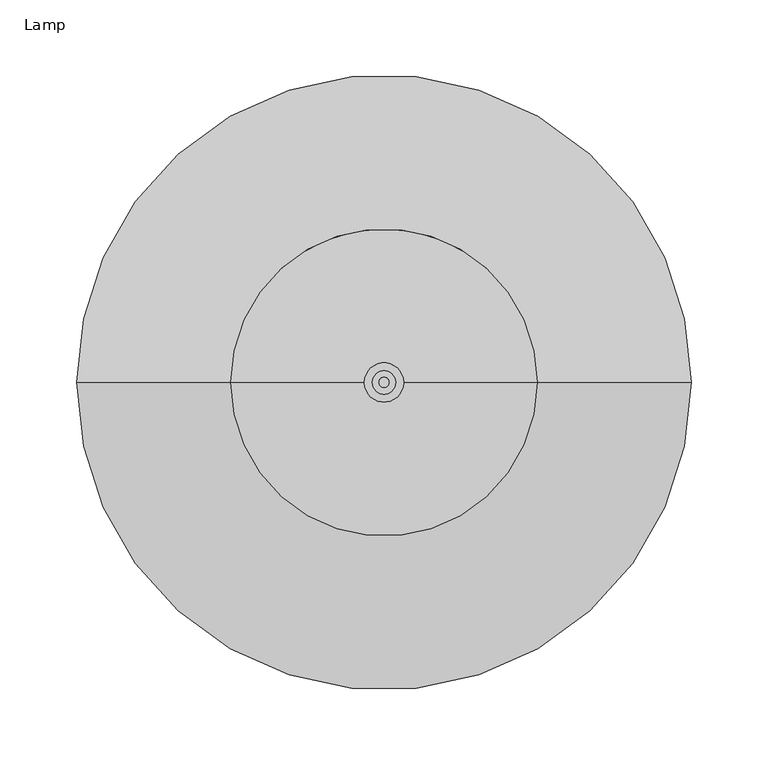
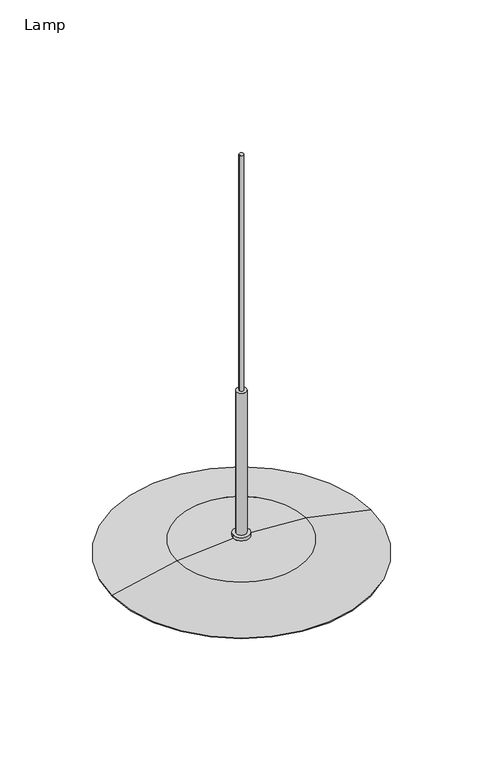
"""IFC4 building model written with IfcOpenShell, lengths in millimetres: furniture geometry, Lamp."""

import ifcopenshell
import ifcopenshell.guid

model = None  # the IFC model being written
_history = None  # IfcOwnerHistory: only IFC2X3 demands one
_inside = {}  # id of a spatial element -> (the spatial element, [elements in it])
_under = {}  # id of a project, library or spatial element -> (it, [spatial elements below it])
_declared = {}  # id of a project -> (the project, [libraries it declares])
_typed = {}  # id of a type object -> (the type object, [elements of that type])
_made_of = {}  # id of a material, layer set ... -> (it, [elements and type objects made of it])


def new_model(schema):
    """Start an empty IFC model of exactly this schema.

    Asked for "IFC4X3", IfcOpenShell would pick the latest addendum, in which some entities
    have other attributes; the version numbers below select the first issue.
    IFC2X3 requires an IfcOwnerHistory on every rooted entity: one is made here for all.
    """
    global model, _history
    if schema == "IFC4X3":
        model = ifcopenshell.file(schema_version=(4, 3, 0, 0))
    else:
        model = ifcopenshell.file(schema=schema)
    _inside.clear()
    _under.clear()
    _declared.clear()
    _typed.clear()
    _made_of.clear()
    _history = None
    if model.schema == "IFC2X3":
        org = make("IfcOrganization", Name="unknown")
        user = make(
            "IfcPersonAndOrganization",
            ThePerson=make("IfcPerson", FamilyName="unknown"),
            TheOrganization=org,
        )
        app = make(
            "IfcApplication",
            ApplicationDeveloper=org,
            Version="unknown",
            ApplicationFullName="unknown",
            ApplicationIdentifier="unknown",
        )
        _history = make(
            "IfcOwnerHistory",
            OwningUser=user,
            OwningApplication=app,
            ChangeAction="ADDED",
            CreationDate=0,
        )
    return model


def make(cls, **values):
    """One entity of the class cls with the attributes given. An attribute that is None is left unset."""
    return model.create_entity(
        cls, **{name: value for name, value in values.items() if value is not None}
    )


def rooted(cls, **values):
    """An entity with a GlobalId (a new one), such as an element, a storey or a relation."""
    return make(cls, GlobalId=ifcopenshell.guid.new(), OwnerHistory=_history, **values)


def si_unit(unit_type, name, prefix=None):
    """IfcSIUnit, for example si_unit("LENGTHUNIT", "METRE", prefix="MILLI")."""
    return make("IfcSIUnit", UnitType=unit_type, Prefix=prefix, Name=name)


def assignment(units):
    """IfcUnitAssignment: the units of a project."""
    return None if units is None else make("IfcUnitAssignment", Units=units)


def point(xyz):
    """IfcCartesianPoint."""
    return None if xyz is None else make("IfcCartesianPoint", Coordinates=xyz)


def direction(xyz):
    """IfcDirection."""
    return None if xyz is None else make("IfcDirection", DirectionRatios=xyz)


def frame(location, z_axis=None, x_axis=None):
    """IfcAxis2Placement3D, a coordinate frame: its origin and axes. An axis left out is left unset."""
    return make(
        "IfcAxis2Placement3D",
        Location=point(location),
        Axis=direction(z_axis),
        RefDirection=direction(x_axis),
    )


def frame_2d(location, x_axis=None):
    """IfcAxis2Placement2D, a coordinate frame in the plane: its origin and x axis."""
    return make(
        "IfcAxis2Placement2D", Location=point(location), RefDirection=direction(x_axis)
    )


def origin():
    """The frame at (0, 0, 0) with its axes left unset."""
    return frame((0.0, 0.0, 0.0))


def origin_2d():
    """The frame at (0, 0) in the plane with its x axis left unset."""
    return frame_2d((0.0, 0.0))


def place(relative_to, where):
    """IfcLocalPlacement: puts the frame where relative to a parent placement (None: the world)."""
    return make(
        "IfcLocalPlacement", PlacementRelTo=relative_to, RelativePlacement=where
    )


def context(
    kind, dimensions, precision=None, world=None, true_north=None, identifier=None
):
    """IfcGeometricRepresentationContext, for example the 3D "Model" context."""
    return make(
        "IfcGeometricRepresentationContext",
        ContextIdentifier=identifier,
        ContextType=kind,
        CoordinateSpaceDimension=dimensions,
        Precision=precision,
        WorldCoordinateSystem=world,
        TrueNorth=true_north,
    )


def project(units=None, contexts=None):
    """IfcProject with its units and contexts."""
    return rooted(
        "IfcProject",
        Name="project",
        RepresentationContexts=contexts,
        UnitsInContext=assignment(units),
    )


def spatial(cls, under=None, at=None, **own):
    """A site, building, storey or space (cls), placed at a placement, below another one or the project."""
    s = rooted(cls, ObjectPlacement=at, **own)
    if under is not None:
        _under.setdefault(under.id(), (under, []))[1].append(s)
    return s


def polyline(points):
    """IfcPolyline through the points."""
    return make("IfcPolyline", Points=[point(p) for p in points])


def circle_curve(where, radius):
    """IfcCircle in the frame where."""
    return make("IfcCircle", Position=where, Radius=radius)


def ellipse_curve(where, semi_axis1, semi_axis2):
    """IfcEllipse in the frame where."""
    return make(
        "IfcEllipse", Position=where, SemiAxis1=semi_axis1, SemiAxis2=semi_axis2
    )


def trimmed(basis, trim1, trim2, sense, master):
    """IfcTrimmedCurve: the piece of a basis curve between two trims."""
    return make(
        "IfcTrimmedCurve",
        BasisCurve=basis,
        Trim1=trim1,
        Trim2=trim2,
        SenseAgreement=sense,
        MasterRepresentation=master,
    )


def segment(curve, same_sense, transition):
    """IfcCompositeCurveSegment."""
    return make(
        "IfcCompositeCurveSegment",
        Transition=transition,
        SameSense=same_sense,
        ParentCurve=curve,
    )


def composite_curve(segments, self_intersect=None):
    """IfcCompositeCurve: segments joined end to end."""
    return make("IfcCompositeCurve", Segments=segments, SelfIntersect=self_intersect)


def outline(outer, holes=None, kind="AREA"):
    """IfcArbitraryClosedProfileDef: a profile drawn as a closed curve; with holes, ...WithVoids."""
    if holes is None:
        return make("IfcArbitraryClosedProfileDef", ProfileType=kind, OuterCurve=outer)
    return make(
        "IfcArbitraryProfileDefWithVoids",
        ProfileType=kind,
        OuterCurve=outer,
        InnerCurves=holes,
    )


def extrude(swept, where, along, depth):
    """IfcExtrudedAreaSolid: the profile swept, set in the frame where, extruded along a direction by depth."""
    return make(
        "IfcExtrudedAreaSolid",
        SweptArea=swept,
        Position=where,
        ExtrudedDirection=direction(along),
        Depth=depth,
    )


def shape(context_of_items, identifier, shape_type, items):
    """IfcShapeRepresentation: the items that make up one representation, for example the "Body"."""
    return make(
        "IfcShapeRepresentation",
        ContextOfItems=context_of_items,
        RepresentationIdentifier=identifier,
        RepresentationType=shape_type,
        Items=items,
    )


def source(mapping_origin, context_of_items, identifier, shape_type, items):
    """IfcRepresentationMap: a shape defined once, which mapped items show again and again."""
    return make(
        "IfcRepresentationMap",
        MappingOrigin=mapping_origin,
        MappedRepresentation=shape(context_of_items, identifier, shape_type, items),
    )


def transform(
    local_origin,
    x_axis=None,
    y_axis=None,
    z_axis=None,
    scale=None,
    scale2=None,
    scale3=None,
    uniform=True,
):
    """IfcCartesianTransformationOperator3D, or its non-uniform kind. x_axis, y_axis, z_axis: its Axis1, 2, 3."""
    if uniform:
        return make(
            "IfcCartesianTransformationOperator3D",
            Axis1=direction(x_axis),
            Axis2=direction(y_axis),
            LocalOrigin=point(local_origin),
            Scale=scale,
            Axis3=direction(z_axis),
        )
    return make(
        "IfcCartesianTransformationOperator3DnonUniform",
        Axis1=direction(x_axis),
        Axis2=direction(y_axis),
        LocalOrigin=point(local_origin),
        Scale=scale,
        Axis3=direction(z_axis),
        Scale2=scale2,
        Scale3=scale3,
    )


def mapped(mapping_source, mapping_target):
    """IfcMappedItem: shows the shape of a source again, moved by a transform."""
    return make(
        "IfcMappedItem", MappingSource=mapping_source, MappingTarget=mapping_target
    )


def made_of(thing, what):
    """Note that an element or type object is made of a material, layer set ...; save() writes the relation."""
    if what is not None:
        _made_of.setdefault(what.id(), (what, []))[1].append(thing)
    return thing


def element(
    cls,
    number,
    at=None,
    inside=None,
    cuts=None,
    type_object=None,
    material=None,
    context=None,
    identifier="Body",
    shape_type=None,
    held_by="IfcProductDefinitionShape",
    body=None,
    shapes=None,
    **own,
):
    """One element of the class cls, such as IfcWall. Its Tag is "e" and its number.

    at: its placement. inside: the storey or other place that contains it. cuts: it is an
    opening in that element (IfcRelVoidsElement). A single representation is given by context,
    identifier, shape_type and body (its items); several are given by shapes. held_by: the class
    of the entity that holds the representations. save() writes the other relations.
    """
    e = rooted(cls, Tag="e%d" % number, ObjectPlacement=at, **own)
    if body is not None:
        shapes = [shape(context, identifier, shape_type, body)]
    if shapes is not None:
        e.Representation = make(held_by, Representations=shapes)
    if inside is not None:
        _inside.setdefault(inside.id(), (inside, []))[1].append(e)
    if cuts is not None:
        rooted(
            "IfcRelVoidsElement", RelatingBuildingElement=cuts, RelatedOpeningElement=e
        )
    if type_object is not None:
        _typed.setdefault(type_object.id(), (type_object, []))[1].append(e)
    return made_of(e, material)


def aggregate(whole, parts):
    """IfcRelAggregates: a whole, such as a stair, and the parts it consists of."""
    return rooted("IfcRelAggregates", RelatingObject=whole, RelatedObjects=parts)


def save(model, path):
    """Write the relations noted so far, then the file.

    IfcRelAggregates (storeys below a building ...), IfcRelContainedInSpatialStructure (elements
    in a storey), IfcRelDefinesByType, IfcRelAssociatesMaterial and IfcRelDeclares: one each for
    every whole, place, type object, material and project.
    """
    for whole, parts in _under.values():
        aggregate(whole, parts)
    for where, things in _inside.values():
        rooted(
            "IfcRelContainedInSpatialStructure",
            RelatedElements=things,
            RelatingStructure=where,
        )
    for kind, things in _typed.values():
        rooted("IfcRelDefinesByType", RelatedObjects=things, RelatingType=kind)
    for what, things in _made_of.values():
        rooted("IfcRelAssociatesMaterial", RelatedObjects=things, RelatingMaterial=what)
    for by, libraries in _declared.values():
        rooted("IfcRelDeclares", RelatingContext=by, RelatedDefinitions=libraries)
    model.write(path)


def plane_surface(at):
    """IfcPlane: the flat surface through the origin of the frame at, square to its z axis."""
    return make("IfcPlane", Position=at)


def cylinder_surface(at, radius):
    """IfcCylindricalSurface: all points at the distance radius from the z axis of the frame at."""
    return make("IfcCylindricalSurface", Position=at, Radius=radius)


def revolved_surface(curve, axis_point, axis_direction):
    """IfcSurfaceOfRevolution: the curve turned about the line through axis_point along axis_direction."""
    return make(
        "IfcSurfaceOfRevolution",
        SweptCurve=make("IfcArbitraryOpenProfileDef", ProfileType="CURVE", Curve=curve),
        AxisPosition=make("IfcAxis1Placement", Location=point(axis_point), Axis=direction(axis_direction)),
    )


def advanced_brep(points, edges, surfaces, faces):
    """IfcAdvancedBrep: a solid bounded by faces that lie on surfaces and meet in shared edges.

    An edge is (start, end): straight between two places in points (the first is 0);
    or (start, end, curve); or (start, end, curve, False) where it runs against its curve.
    A face is (place in surfaces, loops), or (place, loops, False) where it looks against
    its surface's normal. A loop lists edges by number (the first is 1), with a minus sign
    where the edge is run from its end to its start. The first loop is the outer one.
    """
    corners = [point(p) for p in points]
    vertices = [make("IfcVertexPoint", VertexGeometry=c) for c in corners]
    made = []
    for start, end, *more in edges:
        made.append(
            make(
                "IfcEdgeCurve",
                EdgeStart=vertices[start],
                EdgeEnd=vertices[end],
                EdgeGeometry=more[0] if more else make("IfcPolyline", Points=[corners[start], corners[end]]),
                SameSense=more[1] if len(more) > 1 else True,
            )
        )
    hull = []
    for where, loops, *sense in faces:
        bounds = []
        for j, loop in enumerate(loops):
            ring = [make("IfcOrientedEdge", EdgeElement=made[abs(k) - 1], Orientation=k > 0) for k in loop]
            bounds.append(
                make(
                    "IfcFaceOuterBound" if j == 0 else "IfcFaceBound",
                    Bound=make("IfcEdgeLoop", EdgeList=ring),
                    Orientation=True,
                )
            )
        hull.append(make("IfcAdvancedFace", Bounds=bounds, FaceSurface=surfaces[where], SameSense=sense[0] if sense else True))
    return make("IfcAdvancedBrep", Outer=make("IfcClosedShell", CfsFaces=hull))


def lamp_c6f02ba5(model_context):
    return source(origin(), model_context, "Body", "SolidModel", [
        advanced_brep(
        [(-199.9999198, 0.0, 1600.0365216), (199.9999198, 0.0, 1600.0365216), (199.44372, 0.0, 1598.7544076), (-199.44372, 0.0, 1598.7544076), (-100.0515175, 0.0, 1621.4321637), (100.0515175, 0.0, 1621.4321637), (-12.7618293, 0.0, 1627.6301477), (12.7618293, 0.0, 1627.6301477), (0.0, 0.0, 1598.7544076), (-12.7618293, 0.0, 1633.0827942), (12.7618293, 0.0, 1633.0827942)],
        [
            (0, 1, circle_curve(frame((0.0, 0.0, 1600.0365216), z_axis=(0.0, 0.0, -1.0), x_axis=(1.0, 0.0, 0.0)), 199.9999198)),
            (1, 2),
            (2, 3, circle_curve(frame((0.0, 0.0, 1598.7544076), z_axis=(0.0, 0.0, 1.0), x_axis=(1.0, 0.0, 0.0)), 199.44372)),
            (3, 0),
            (1, 0, circle_curve(frame((0.0, 0.0, 1600.0365216), z_axis=(0.0, 0.0, -1.0), x_axis=(1.0, 0.0, 0.0)), 199.9999198)),
            (3, 2, circle_curve(frame((0.0, 0.0, 1598.7544076), z_axis=(0.0, 0.0, 1.0), x_axis=(1.0, 0.0, 0.0)), 199.44372)),
            (0, 4, circle_curve(frame((-33.8667664, 0.0, 1068.1050702), z_axis=(0.0, 1.0, 0.0), x_axis=(-1.0, 0.0, 0.0)), 557.2712927)),
            (4, 5, circle_curve(frame((0.0, 0.0, 1621.4321637), z_axis=(0.0, 0.0, -1.0), x_axis=(1.0, 0.0, 0.0)), 100.0515175)),
            (5, 1, circle_curve(frame((33.8667664, 0.0, 1068.1050702), z_axis=(0.0, 1.0, 0.0), x_axis=(1.0, 0.0, 0.0)), 557.2712927)),
            (5, 4, circle_curve(frame((0.0, 0.0, 1621.4321637), z_axis=(0.0, 0.0, -1.0), x_axis=(1.0, 0.0, 0.0)), 100.0515175)),
            (4, 6, circle_curve(frame((7.8901312, 0.0, 719.003163), z_axis=(0.0, 1.0, 0.0), x_axis=(-1.0, 0.0, 0.0)), 908.8616511)),
            (6, 7, circle_curve(frame((0.0, 0.0, 1627.6301477), z_axis=(0.0, 0.0, -1.0), x_axis=(1.0, 0.0, 0.0)), 12.7618293)),
            (7, 5, circle_curve(frame((-7.8901312, 0.0, 719.003163), z_axis=(0.0, 1.0, 0.0), x_axis=(1.0, 0.0, 0.0)), 908.8616511)),
            (7, 6, circle_curve(frame((0.0, 0.0, 1627.6301477), z_axis=(0.0, 0.0, -1.0), x_axis=(1.0, 0.0, 0.0)), 12.7618293)),
            (2, 8),
            (8, 3),
            (9, 10, circle_curve(frame((0.0, 0.0, 1633.0827942), z_axis=(0.0, 0.0, 1.0), x_axis=(1.0, 0.0, 0.0)), 12.7618293)),
            (10, 9, circle_curve(frame((0.0, 0.0, 1633.0827942), z_axis=(0.0, 0.0, 1.0), x_axis=(1.0, 0.0, 0.0)), 12.7618293)),
            (9, 6),
            (7, 10),
        ],
        [
            revolved_surface(polyline([(199.44372, 0.0, 1598.7544076), (199.9999198, 0.0, 1600.0365216)]), (0.0, 0.0, 1398.7544076), (0.0, 0.0, 1.0)),
            revolved_surface(trimmed(ellipse_curve(frame((33.8667664, 0.0, 1068.1050702), z_axis=(0.0, -1.0, 0.0), x_axis=(1.0, 0.0, 0.0)), 557.2712927, 557.2712927), [point((199.9999198, 0.0, 1600.0365216))], [point((100.0515175, 0.0, 1621.4321637))], True, "CARTESIAN"), (0.0, 0.0, 1398.7544076), (0.0, 0.0, 1.0)),
            revolved_surface(trimmed(ellipse_curve(frame((-7.8901312, 0.0, 719.003163), z_axis=(0.0, -1.0, 0.0), x_axis=(1.0, 0.0, 0.0)), 908.8616511, 908.8616511), [point((100.0515175, 0.0, 1621.4321637))], [point((7.5177903, 0.0, 1627.7341995))], True, "CARTESIAN"), (0.0, 0.0, 1398.7544076), (0.0, 0.0, 1.0)),
            plane_surface(frame((0.0, 0.0, 1598.7544076), z_axis=(0.0, 0.0, -1.0), x_axis=(1.0, 0.0, 0.0))),
            plane_surface(frame((12.7618293, 0.0, 1633.0827942), z_axis=(0.0, 0.0, 1.0), x_axis=(0.0, 1.0, 0.0))),
            cylinder_surface(frame((0.0, 0.0, 1621.9551163), z_axis=(0.0, 0.0, 1.0), x_axis=(1.0, 0.0, 0.0)), 12.7618293),
        ],
        [
            (0, [[1, 2, 3, 4]]),
            (0, [[-2, 5, -4, 6]]),
            (1, [[-1, 7, 8, 9]]),
            (1, [[-5, -9, 10, -7]]),
            (2, [[-8, 11, 12, 13]]),
            (2, [[-10, -13, 14, -11]]),
            (3, [[-3, 15, 16]]),
            (3, [[-6, -16, -15]]),
            (4, [[17, 18]]),
            (5, [[-17, 19, -14, 20]]),
            (5, [[-18, -20, -12, -19]]),
        ],
    ),
        extrude(outline(composite_curve([segment(trimmed(circle_curve(origin_2d(), 37.5168434), [point((-37.5168434, 0.0))], [point((37.5168434, 0.0))], False, "CARTESIAN"), True, "CONTINUOUS"), segment(trimmed(circle_curve(origin_2d(), 37.5168434), [point((37.5168434, 0.0))], [point((-37.5168434, 0.0))], False, "CARTESIAN"), True, "CONTINUOUS")], self_intersect=False)), frame((0.0, 0.0, 1500.0), z_axis=(0.0, 0.0, 1.0), x_axis=(1.0, 0.0, 0.0)), (0.0, 0.0, 1.0), 24.0000191),
        extrude(outline(composite_curve([segment(trimmed(circle_curve(origin_2d(), 7.5903519), [point((-7.5903519, 0.0))], [point((7.5903519, 0.0))], False, "CARTESIAN"), True, "CONTINUOUS"), segment(trimmed(circle_curve(origin_2d(), 7.5903519), [point((7.5903519, 0.0))], [point((-7.5903519, 0.0))], False, "CARTESIAN"), True, "CONTINUOUS")], self_intersect=False)), frame((0.0, 0.0, 1503.1449913), z_axis=(0.0, 0.0, 1.0), x_axis=(1.0, 0.0, 0.0)), (0.0, 0.0, 1.0), 361.8549782),
        extrude(outline(composite_curve([segment(trimmed(circle_curve(origin_2d(), 3.2790423), [point((-3.2790423, 0.0))], [point((3.2790423, 0.0))], False, "CARTESIAN"), True, "CONTINUOUS"), segment(trimmed(circle_curve(origin_2d(), 3.2790423), [point((3.2790423, 0.0))], [point((-3.2790423, 0.0))], False, "CARTESIAN"), True, "CONTINUOUS")], self_intersect=False)), frame((0.0, 0.0, 1864.9999695), z_axis=(0.0, 0.0, 1.0), x_axis=(1.0, 0.0, 0.0)), (0.0, 0.0, 1.0), 385.0000305),
    ])


if __name__ == "__main__":
    model = new_model("IFC4")
    model_context = context("Model", 3, world=origin())
    ifc_project = project(units=[si_unit("LENGTHUNIT", "METRE", prefix="MILLI")], contexts=[model_context])
    site = spatial("IfcSite", under=ifc_project)
    building = spatial("IfcBuilding", under=site)
    placement = place(None, origin())
    lamp_shape = lamp_c6f02ba5(model_context)
    element("IfcFurniture", 1, ObjectType="Lamp", at=placement, inside=building, context=model_context, shape_type="MappedRepresentation", body=[
        mapped(lamp_shape, transform((0.0, 0.0, 0.0), x_axis=(1.0, 0.0, 0.0), y_axis=(0.0, 1.0, 0.0), z_axis=(0.0, 0.0, 1.0))),
    ])
    save(model, "model.ifc")
